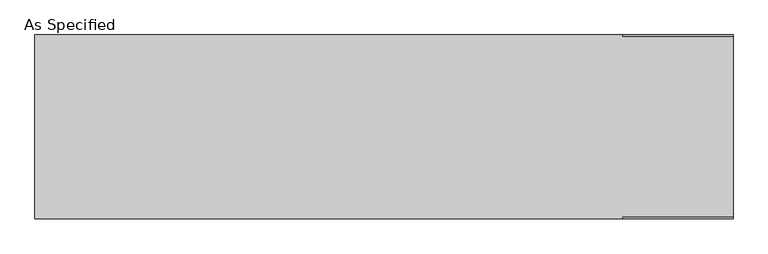
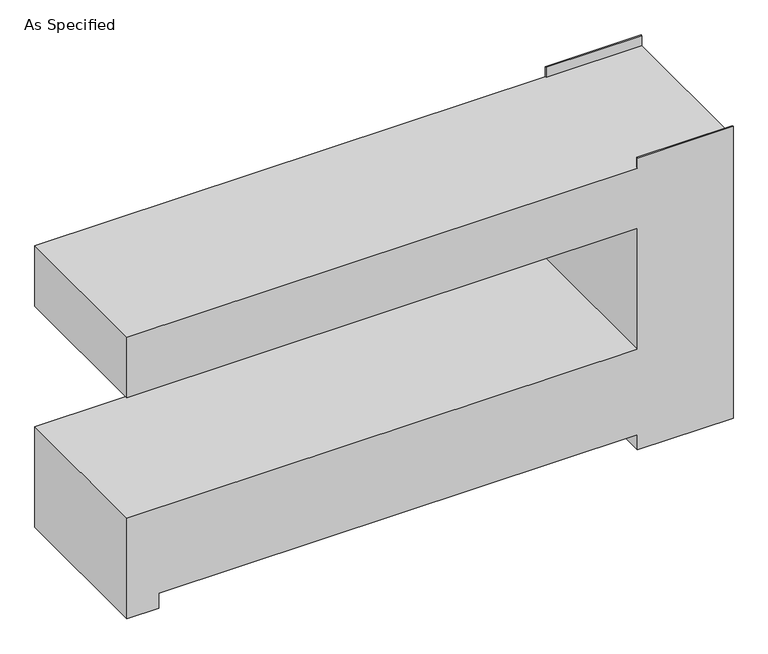
"""IFC4 building model written with IfcOpenShell, lengths in millimetres: proxy geometry, As Specified."""

from ifc_helpers import new_model, si_unit, origin, place, context, project, spatial, faceted_brep, source, transform, mapped, element, save


def as_specified_2efaaa0e(model_context):
    return source(origin(), model_context, "Body", "Brep", [
        faceted_brep([(-1447.8, 381.0, 1422.4), (-1447.8, -381.0, 1422.4), (990.6, -381.0, 1422.4), (990.6, -374.65, 1422.4), (1447.8, -374.65, 1422.4), (1447.8, 374.65, 1422.4), (990.6, 374.65, 1422.4), (990.6, 381.0, 1422.4), (1447.8, 381.0, 0.0), (1447.8, -381.0, 0.0), (990.6, -381.0, 0.0), (990.6, 381.0, 0.0), (-1447.8, -381.0, 0.0), (-1447.8, 381.0, 0.0), (-1295.4, 381.0, 0.0), (-1295.4, -381.0, 0.0), (990.6, 381.0, 76.2), (-1295.4, 381.0, 76.2), (-1447.8, 381.0, 508.0), (990.6, 381.0, 508.0), (990.6, 381.0, 1117.6), (-1447.8, 381.0, 1117.6), (990.6, 381.0, 1473.2), (1447.8, 381.0, 1473.2), (-1447.8, -381.0, 1117.6), (-1447.8, -381.0, 508.0), (-1295.4, -381.0, 76.2), (990.6, -381.0, 76.2), (1447.8, -381.0, 1473.2), (990.6, -381.0, 1473.2), (990.6, -381.0, 1117.6), (990.6, -381.0, 508.0), (1447.8, 374.65, 1473.2), (1447.8, -374.65, 1473.2), (990.6, -374.65, 1473.2), (990.6, 374.65, 1473.2)], [[[0, 1, 2, 3, 4, 5, 6, 7]], [[8, 9, 10, 11]], [[12, 13, 14, 15]], [[8, 11, 16, 17, 14, 13, 18, 19, 20, 21, 0, 7, 22, 23]], [[1, 0, 21, 24]], [[13, 12, 25, 18]], [[25, 12, 15, 26, 27, 10, 9, 28, 29, 2, 1, 24, 30, 31]], [[9, 8, 23, 32, 5, 4, 33, 28]], [[31, 19, 18, 25]], [[19, 31, 30, 20]], [[20, 30, 24, 21]], [[17, 26, 15, 14]], [[27, 16, 11, 10]], [[26, 17, 16, 27]], [[29, 34, 3, 2]], [[34, 29, 28, 33]], [[3, 34, 33, 4]], [[22, 7, 6, 35]], [[22, 35, 32, 23]], [[35, 6, 5, 32]]]),
    ])


if __name__ == "__main__":
    model = new_model("IFC4")
    model_context = context("Model", 3, world=origin())
    ifc_project = project(units=[si_unit("LENGTHUNIT", "METRE", prefix="MILLI")], contexts=[model_context])
    site = spatial("IfcSite", under=ifc_project)
    building = spatial("IfcBuilding", under=site)
    placement = place(None, origin())
    as_specified_shape = as_specified_2efaaa0e(model_context)
    element("IfcBuildingElementProxy", 1, Name="As Specified", ObjectType="As Specified", at=placement, inside=building, context=model_context, shape_type="MappedRepresentation", body=[
        mapped(as_specified_shape, transform((0.0, 0.0, 0.0), x_axis=(1.0, 0.0, 0.0), y_axis=(0.0, 1.0, 0.0), z_axis=(0.0, 0.0, 1.0))),
    ])
    save(model, "model.ifc")
